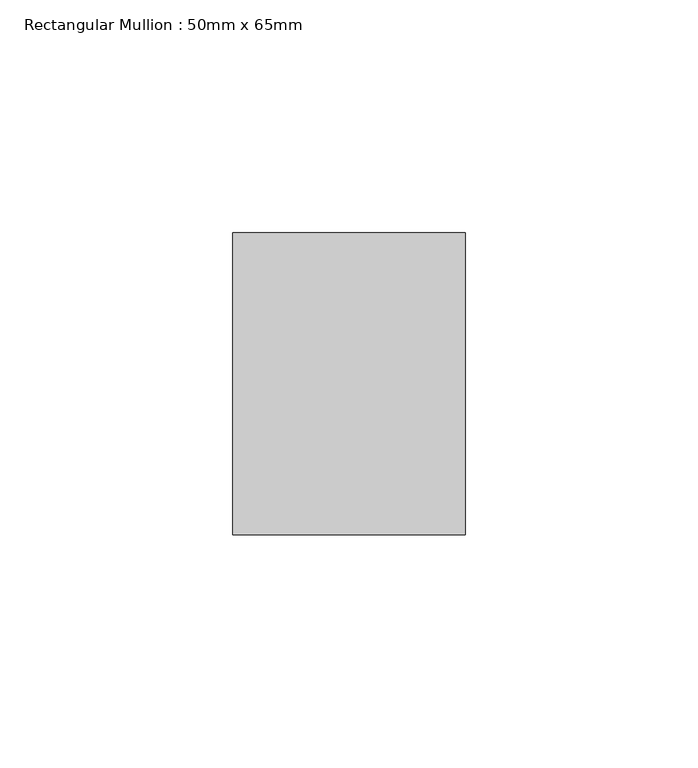
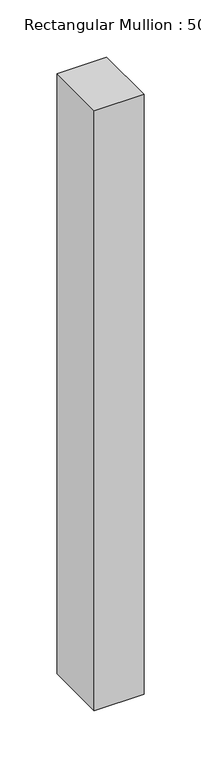
"""IFC4 building model written with IfcOpenShell, lengths in millimetres: member geometry, Rectangular Mullion : 50mm x 65mm."""

from ifc_helpers import new_model, si_unit, frame, origin, place, context, project, spatial, polyline, outline, extrude, source, transform, mapped, element, save


def rectangular_mullion_50mm_x_65mm_9d7af9fe(model_context):
    return source(origin(), model_context, "Body", "SweptSolid", [
        extrude(outline(polyline([(25.0, 32.5), (25.0, -32.5), (-25.0, -32.5), (-25.0, 32.5), (25.0, 32.5)])), frame((0.0, 0.0, -639.7125059), z_axis=(0.0, 0.0, 1.0), x_axis=(1.0, 0.0, 0.0)), (0.0, 0.0, 1.0), 639.7125059),
    ])


if __name__ == "__main__":
    model = new_model("IFC4")
    model_context = context("Model", 3, world=origin())
    ifc_project = project(units=[si_unit("LENGTHUNIT", "METRE", prefix="MILLI")], contexts=[model_context])
    site = spatial("IfcSite", under=ifc_project)
    building = spatial("IfcBuilding", under=site)
    placement = place(None, origin())
    rectangular_mullion_50mm_x_65mm_shape = rectangular_mullion_50mm_x_65mm_9d7af9fe(model_context)
    element("IfcMember", 1, ObjectType="Rectangular Mullion : 50mm x 65mm", at=placement, inside=building, context=model_context, shape_type="MappedRepresentation", body=[
        mapped(rectangular_mullion_50mm_x_65mm_shape, transform((0.0, 0.0, 0.0), x_axis=(1.0, 0.0, 0.0), y_axis=(0.0, 1.0, 0.0), z_axis=(0.0, 0.0, 1.0))),
    ])
    save(model, "model.ifc")
